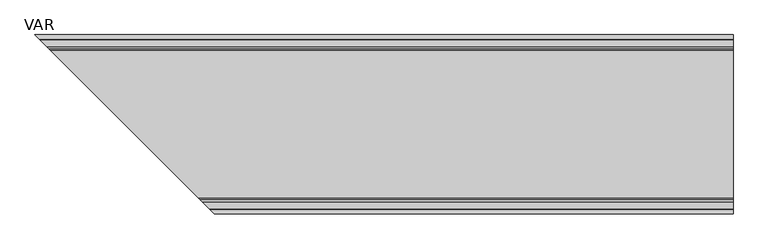
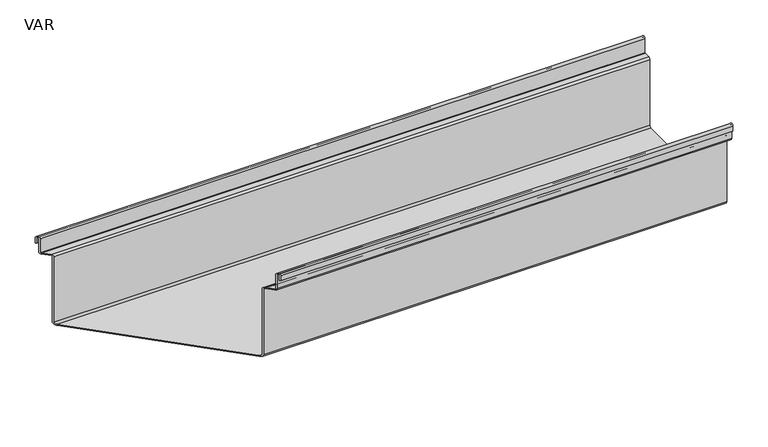
"""IFC4 building model written with IfcOpenShell, lengths in millimetres: sanitary terminal geometry, VAR."""

from ifc_helpers import new_model, si_unit, frame, origin, place, context, project, spatial, polyline, circle_curve, ellipse_curve, source, transform, mapped, element, save
from ifc_brep_helpers import plane_surface, cylinder_surface, revolved_surface, advanced_brep


def var_987fd894(model_context):
    return source(origin(), model_context, "Body", "AdvancedBrep", [
        advanced_brep(
        [(1000.0, 128.5, -12.0), (1000.0, 126.4864263, -12.0), (2.0135737, 126.4864263, -12.0), (0.0, 128.5, -12.0), (1000.0, -126.4864263, -12.0), (1000.0, -128.5, -12.0), (257.0, -128.5, -12.0), (254.9864263, -126.4864263, -12.0), (1000.0, 128.5, -3.25), (1000.0, 122.5, -3.25), (1000.0, 122.5, -27.0), (1000.0, 121.5, -28.0), (1000.0, 111.5135737, -28.0), (1000.0, 108.5135737, -31.0), (1000.0, 108.5135737, -144.9864263), (1000.0, 105.5135737, -147.9864263), (1000.0, -105.5135737, -147.9864263), (1000.0, -108.5135737, -144.9864263), (1000.0, -108.5135737, -31.0), (1000.0, -111.5135737, -28.0), (1000.0, -121.5, -28.0), (1000.0, -122.5, -27.0), (1000.0, -122.5, -3.2587939), (1000.0, -128.5, -3.2587939), (1000.0, -126.4864263, -3.2587939), (1000.0, -124.5135737, -3.2587939), (1000.0, -124.5135737, -27.0), (1000.0, -121.5, -30.0135737), (1000.0, -111.5135737, -30.0135737), (1000.0, -110.5271474, -31.0), (1000.0, -110.5271474, -144.9864263), (1000.0, -105.5135737, -150.0), (1000.0, 105.5135737, -150.0), (1000.0, 110.5271474, -144.9864263), (1000.0, 110.5271474, -31.0), (1000.0, 111.5135737, -30.0135737), (1000.0, 121.5, -30.0135737), (1000.0, 124.5135737, -27.0), (1000.0, 124.5135737, -3.25), (1000.0, 126.4864263, -3.25), (2.0135737, 126.4864263, -3.25), (0.0, 128.5, -3.25), (3.9864263, 124.5135737, -3.25), (6.0, 122.5, -3.25), (3.9864263, 124.5135737, -27.0), (6.0, 122.5, -27.0), (7.0, 121.5, -30.0135737), (7.0, 121.5, -28.0), (16.9864263, 111.5135737, -30.0135737), (16.9864263, 111.5135737, -28.0), (17.9728526, 110.5271474, -31.0), (19.9864263, 108.5135737, -31.0), (17.9728526, 110.5271474, -144.9864263), (19.9864263, 108.5135737, -144.9864263), (234.0135737, -105.5135737, -150.0), (22.9864263, 105.5135737, -150.0), (22.9864263, 105.5135737, -147.9864263), (234.0135737, -105.5135737, -147.9864263), (239.0271474, -110.5271474, -31.0), (239.0271474, -110.5271474, -144.9864263), (237.0135737, -108.5135737, -144.9864263), (237.0135737, -108.5135737, -31.0), (240.0135737, -111.5135737, -30.0135737), (240.0135737, -111.5135737, -28.0), (250.0, -121.5, -30.0135737), (250.0, -121.5, -28.0), (253.0135737, -124.5135737, -27.0), (251.0, -122.5, -27.0), (253.0135737, -124.5135737, -3.2587939), (251.0, -122.5, -3.2587939), (254.9864263, -126.4864263, -3.2587939), (257.0, -128.5, -3.2587939)],
        [
            (0, 1),
            (1, 2),
            (2, 3),
            (3, 0),
            (4, 5),
            (5, 6),
            (6, 7),
            (7, 4),
            (0, 8),
            (8, 9, circle_curve(frame((1000.0, 125.5, -3.25), z_axis=(1.0, 0.0, 0.0), x_axis=(0.0, 1.0, 0.0)), 3.0)),
            (9, 10),
            (10, 11, circle_curve(frame((1000.0, 121.5, -27.0), z_axis=(-1.0, 0.0, 0.0), x_axis=(0.0, 1.0, 0.0)), 1.0)),
            (11, 12),
            (12, 13, circle_curve(frame((1000.0, 111.5135737, -31.0), z_axis=(1.0, 0.0, 0.0), x_axis=(0.0, 0.0, 1.0)), 3.0)),
            (13, 14),
            (14, 15, circle_curve(frame((1000.0, 105.5135737, -144.9864263), z_axis=(-1.0, 0.0, 0.0), x_axis=(0.0, 1.0, 0.0)), 3.0)),
            (15, 16),
            (16, 17, circle_curve(frame((1000.0, -105.5135737, -144.9864263), z_axis=(-1.0, 0.0, 0.0), x_axis=(0.0, 0.0, -1.0)), 3.0)),
            (17, 18),
            (18, 19, circle_curve(frame((1000.0, -111.5135737, -31.0), z_axis=(1.0, 0.0, 0.0), x_axis=(0.0, 1.0, 0.0)), 3.0)),
            (19, 20),
            (20, 21, circle_curve(frame((1000.0, -121.5, -27.0), z_axis=(-1.0, 0.0, 0.0), x_axis=(0.0, 0.0, -1.0)), 1.0)),
            (21, 22),
            (22, 23, circle_curve(frame((1000.0, -125.5, -3.2587939), z_axis=(1.0, 0.0, 0.0), x_axis=(0.0, 1.0, 0.0)), 3.0)),
            (23, 5),
            (4, 24),
            (24, 25, circle_curve(frame((1000.0, -125.5, -3.2587939), z_axis=(-1.0, 0.0, 0.0), x_axis=(0.0, 1.0, 0.0)), 0.9864263)),
            (25, 26),
            (26, 27, circle_curve(frame((1000.0, -121.5, -27.0), z_axis=(1.0, 0.0, 0.0), x_axis=(0.0, 0.0, -1.0)), 3.0135737)),
            (27, 28),
            (28, 29, circle_curve(frame((1000.0, -111.5135737, -31.0), z_axis=(-1.0, 0.0, 0.0), x_axis=(0.0, 1.0, 0.0)), 0.9864263)),
            (29, 30),
            (30, 31, circle_curve(frame((1000.0, -105.5135737, -144.9864263), z_axis=(1.0, 0.0, 0.0), x_axis=(0.0, 0.0, -1.0)), 5.0135737)),
            (31, 32),
            (32, 33, circle_curve(frame((1000.0, 105.5135737, -144.9864263), z_axis=(1.0, 0.0, 0.0), x_axis=(0.0, 1.0, 0.0)), 5.0135737)),
            (33, 34),
            (34, 35, circle_curve(frame((1000.0, 111.5135737, -31.0), z_axis=(-1.0, 0.0, 0.0), x_axis=(0.0, 0.0, 1.0)), 0.9864263)),
            (35, 36),
            (36, 37, circle_curve(frame((1000.0, 121.5, -27.0), z_axis=(1.0, 0.0, 0.0), x_axis=(0.0, 1.0, 0.0)), 3.0135737)),
            (37, 38),
            (38, 39, circle_curve(frame((1000.0, 125.5, -3.25), z_axis=(-1.0, 0.0, 0.0), x_axis=(0.0, 1.0, 0.0)), 0.9864263)),
            (39, 1),
            (39, 40),
            (40, 2),
            (3, 41),
            (41, 8),
            (38, 42),
            (42, 40, ellipse_curve(frame((3.0, 125.5, -3.25), z_axis=(-0.7071067811865449, -0.7071067811865502, 0.0), x_axis=(0.7071067811865501, -0.7071067811865449, 0.0)), 1.3950175, 0.9864263)),
            (41, 43, ellipse_curve(frame((3.0, 125.5, -3.25), z_axis=(0.7071067811865449, 0.7071067811865502, 0.0), x_axis=(0.7071067811865501, -0.7071067811865449, 0.0)), 4.2426407, 3.0)),
            (43, 9),
            (37, 44),
            (44, 42),
            (43, 45),
            (45, 10),
            (36, 46),
            (46, 44, ellipse_curve(frame((7.0, 121.5, -27.0), z_axis=(0.7071067811865449, 0.7071067811865502, 0.0), x_axis=(-0.7071067811865501, 0.7071067811865449, 0.0)), 4.2618368, 3.0135737)),
            (45, 47, ellipse_curve(frame((7.0, 121.5, -27.0), z_axis=(-0.7071067811865449, -0.7071067811865502, 0.0), x_axis=(-0.7071067811865501, 0.7071067811865449, 0.0)), 1.4142136, 1.0)),
            (47, 11),
            (35, 48),
            (48, 46),
            (47, 49),
            (49, 12),
            (34, 50),
            (50, 48, ellipse_curve(frame((16.9864263, 111.5135737, -31.0), z_axis=(-0.7071067811865449, -0.7071067811865502, 0.0), x_axis=(0.7071067811865501, -0.7071067811865449, 0.0)), 1.3950175, 0.9864263)),
            (49, 51, ellipse_curve(frame((16.9864263, 111.5135737, -31.0), z_axis=(0.7071067811865449, 0.7071067811865502, 0.0), x_axis=(0.7071067811865501, -0.7071067811865449, 0.0)), 4.2426407, 3.0)),
            (51, 13),
            (33, 52),
            (52, 50),
            (51, 53),
            (53, 14),
            (31, 54),
            (54, 55),
            (55, 32),
            (15, 56),
            (56, 57),
            (57, 16),
            (29, 58),
            (58, 59),
            (59, 30),
            (17, 60),
            (60, 61),
            (61, 18),
            (28, 62),
            (62, 58, ellipse_curve(frame((240.0135737, -111.5135737, -31.0), z_axis=(-0.7071067811865449, -0.7071067811865502, 0.0), x_axis=(0.7071067811865501, -0.7071067811865449, 0.0)), 1.3950175, 0.9864263)),
            (61, 63, ellipse_curve(frame((240.0135737, -111.5135737, -31.0), z_axis=(0.7071067811865449, 0.7071067811865502, 0.0), x_axis=(0.7071067811865501, -0.7071067811865449, 0.0)), 4.2426407, 3.0)),
            (63, 19),
            (27, 64),
            (64, 62),
            (63, 65),
            (65, 20),
            (26, 66),
            (66, 64, ellipse_curve(frame((250.0, -121.5, -27.0), z_axis=(0.7071067811865449, 0.7071067811865502, 0.0), x_axis=(-0.7071067811865501, 0.7071067811865449, 0.0)), 4.2618368, 3.0135737)),
            (65, 67, ellipse_curve(frame((250.0, -121.5, -27.0), z_axis=(-0.7071067811865449, -0.7071067811865502, 0.0), x_axis=(-0.7071067811865501, 0.7071067811865449, 0.0)), 1.4142136, 1.0)),
            (67, 21),
            (25, 68),
            (68, 66),
            (67, 69),
            (69, 22),
            (24, 70),
            (70, 68, ellipse_curve(frame((254.0, -125.5, -3.2587939), z_axis=(-0.7071067811865449, -0.7071067811865502, 0.0), x_axis=(0.7071067811865501, -0.7071067811865449, 0.0)), 1.3950175, 0.9864263)),
            (69, 71, ellipse_curve(frame((254.0, -125.5, -3.2587939), z_axis=(0.7071067811865449, 0.7071067811865502, 0.0), x_axis=(0.7071067811865501, -0.7071067811865449, 0.0)), 4.2426407, 3.0)),
            (71, 23),
            (7, 70),
            (71, 6),
            (55, 52, ellipse_curve(frame((22.9864263, 105.5135737, -144.9864263), z_axis=(0.7071067811865449, 0.7071067811865502, 0.0), x_axis=(-0.7071067811865501, 0.7071067811865449, 0.0)), 7.0902639, 5.0135737)),
            (53, 56, ellipse_curve(frame((22.9864263, 105.5135737, -144.9864263), z_axis=(-0.7071067811865449, -0.7071067811865502, 0.0), x_axis=(-0.7071067811865501, 0.7071067811865449, 0.0)), 4.2426407, 3.0)),
            (59, 54, ellipse_curve(frame((234.0135737, -105.5135737, -144.9864263), z_axis=(0.7071067811865449, 0.7071067811865502, 0.0), x_axis=(-0.7071067811865501, 0.7071067811865449, 0.0)), 7.0902639, 5.0135737)),
            (57, 60, ellipse_curve(frame((234.0135737, -105.5135737, -144.9864263), z_axis=(-0.7071067811865449, -0.7071067811865502, 0.0), x_axis=(-0.7071067811865501, 0.7071067811865449, 0.0)), 4.2426407, 3.0)),
        ],
        [
            plane_surface(frame((0.0, 128.5, -12.0), z_axis=(0.0, 0.0, -1.0), x_axis=(1.0, 0.0, 0.0))),
            plane_surface(frame((0.0, -128.5, -12.0), z_axis=(0.0, 0.0, -1.0), x_axis=(1.0, 0.0, 0.0))),
            plane_surface(frame((1000.0, 128.5, -12.0), z_axis=(1.0, 0.0, 0.0), x_axis=(0.0, 0.0, 1.0))),
            plane_surface(frame((1000.0, 126.4864263, -12.0), z_axis=(0.0, -1.0, 0.0), x_axis=(0.0, 0.0, 1.0))),
            plane_surface(frame((0.0, 128.5, -12.0), z_axis=(0.0, 1.0, 0.0), x_axis=(0.0, 0.0, 1.0))),
            revolved_surface(polyline([(1000.0, 126.4864263, -3.25), (2.0135736658760917, 126.4864263, -3.25)]), (0.0, 125.5, -3.25), (1.0, 0.0, 0.0)),
            cylinder_surface(frame((0.0, 125.5, -3.25), z_axis=(1.0, 0.0, 0.0), x_axis=(0.0, 1.0, 0.0)), 3.0),
            plane_surface(frame((1000.0, 124.5135737, -3.25), z_axis=(0.0, 1.0, 0.0), x_axis=(0.0, 0.0, -1.0))),
            plane_surface(frame((0.0, 122.5, -3.25), z_axis=(0.0, -1.0, 0.0), x_axis=(0.0, 0.0, -1.0))),
            cylinder_surface(frame((0.0, 121.5, -27.0), z_axis=(-1.0, 0.0, 0.0), x_axis=(0.0, 1.0, 0.0)), 3.0135737),
            revolved_surface(polyline([(5.999999973393757, 122.5, -27.0), (1000.0, 122.5, -27.0)]), (0.0, 121.5, -27.0), (-1.0, 0.0, 0.0)),
            plane_surface(frame((1000.0, 121.5, -30.0135737), z_axis=(0.0, 0.0, -1.0), x_axis=(0.0, -1.0, 0.0))),
            plane_surface(frame((0.0, 121.5, -28.0), z_axis=(0.0, 0.0, 1.0), x_axis=(0.0, -1.0, 0.0))),
            revolved_surface(polyline([(1000.0, 111.5135737, -30.0135737), (15.999999965876093, 111.5135737, -30.0135737)]), (0.0, 111.5135737, -31.0), (1.0, 0.0, 0.0)),
            cylinder_surface(frame((0.0, 111.5135737, -31.0), z_axis=(1.0, 0.0, 0.0), x_axis=(0.0, 0.0, 1.0)), 3.0),
            plane_surface(frame((1000.0, 110.5271474, -31.0), z_axis=(0.0, 1.0, 0.0), x_axis=(0.0, 0.0, -1.0))),
            plane_surface(frame((0.0, 108.5135737, -31.0), z_axis=(0.0, -1.0, 0.0), x_axis=(0.0, 0.0, -1.0))),
            plane_surface(frame((1000.0, 105.5135737, -150.0), z_axis=(0.0, 0.0, -1.0), x_axis=(0.0, -1.0, 0.0))),
            plane_surface(frame((0.0, 105.5135737, -147.9864263), z_axis=(0.0, 0.0, 1.0), x_axis=(0.0, -1.0, 0.0))),
            plane_surface(frame((1000.0, -110.5271474, -144.9864263), z_axis=(0.0, -1.0, 0.0), x_axis=(0.0, 0.0, 1.0))),
            plane_surface(frame((0.0, -108.5135737, -144.9864263), z_axis=(0.0, 1.0, 0.0), x_axis=(0.0, 0.0, 1.0))),
            revolved_surface(polyline([(1000.0, -110.52714739999999, -31.0), (239.0271473658761, -110.52714739999999, -31.0)]), (0.0, -111.5135737, -31.0), (1.0, 0.0, 0.0)),
            cylinder_surface(frame((0.0, -111.5135737, -31.0), z_axis=(1.0, 0.0, 0.0), x_axis=(0.0, 1.0, 0.0)), 3.0),
            plane_surface(frame((1000.0, -111.5135737, -30.0135737), z_axis=(0.0, 0.0, -1.0), x_axis=(0.0, -1.0, 0.0))),
            plane_surface(frame((0.0, -111.5135737, -28.0), z_axis=(0.0, 0.0, 1.0), x_axis=(0.0, -1.0, 0.0))),
            cylinder_surface(frame((0.0, -121.5, -27.0), z_axis=(-1.0, 0.0, 0.0), x_axis=(0.0, 0.0, -1.0)), 3.0135737),
            revolved_surface(polyline([(248.99999997339376, -121.5, -28.0), (1000.0, -121.5, -28.0)]), (0.0, -121.5, -27.0), (-1.0, 0.0, 0.0)),
            plane_surface(frame((1000.0, -124.5135737, -27.0), z_axis=(0.0, -1.0, 0.0), x_axis=(0.0, 0.0, 1.0))),
            plane_surface(frame((0.0, -122.5, -27.0), z_axis=(0.0, 1.0, 0.0), x_axis=(0.0, 0.0, 1.0))),
            revolved_surface(polyline([(1000.0, -124.5135737, -3.2587939), (253.0135736658761, -124.5135737, -3.2587939)]), (0.0, -125.5, -3.2587939), (1.0, 0.0, 0.0)),
            cylinder_surface(frame((0.0, -125.5, -3.2587939), z_axis=(1.0, 0.0, 0.0), x_axis=(0.0, 1.0, 0.0)), 3.0),
            plane_surface(frame((1000.0, -126.4864263, -3.2587939), z_axis=(0.0, 1.0, 0.0), x_axis=(0.0, 0.0, -1.0))),
            plane_surface(frame((0.0, -128.5, -3.2587939), z_axis=(0.0, -1.0, 0.0), x_axis=(0.0, 0.0, -1.0))),
            cylinder_surface(frame((0.0, 105.5135737, -144.9864263), z_axis=(-1.0, 0.0, 0.0), x_axis=(0.0, 1.0, 0.0)), 5.0135737),
            revolved_surface(polyline([(19.98642629089195, 108.5135737, -144.9864263), (1000.0, 108.5135737, -144.9864263)]), (0.0, 105.5135737, -144.9864263), (-1.0, 0.0, 0.0)),
            cylinder_surface(frame((0.0, -105.5135737, -144.9864263), z_axis=(-1.0, 0.0, 0.0), x_axis=(0.0, 0.0, -1.0)), 5.0135737),
            revolved_surface(polyline([(231.01357369089195, -105.5135737, -147.9864263), (1000.0, -105.5135737, -147.9864263)]), (0.0, -105.5135737, -144.9864263), (-1.0, 0.0, 0.0)),
            plane_surface(frame((257.0, -128.5, 15.4760934), z_axis=(-0.7071067811865449, -0.7071067811865502, 0.0), x_axis=(0.0, 0.0, -1.0))),
        ],
        [
            (0, [[1, 2, 3, 4]]),
            (1, [[5, 6, 7, 8]]),
            (2, [[-1, 9, 10, 11, 12, 13, 14, 15, 16, 17, 18, 19, 20, 21, 22, 23, 24, 25, -5, 26, 27, 28, 29, 30, 31, 32, 33, 34, 35, 36, 37, 38, 39, 40, 41, 42]]),
            (3, [[-42, 43, 44, -2]]),
            (4, [[-4, 45, 46, -9]]),
            (5, [[-41, 47, 48, -43]]),
            (6, [[-10, -46, 49, 50]]),
            (7, [[-40, 51, 52, -47]]),
            (8, [[-11, -50, 53, 54]]),
            (9, [[-39, 55, 56, -51]]),
            (10, [[-12, -54, 57, 58]]),
            (11, [[-38, 59, 60, -55]]),
            (12, [[-13, -58, 61, 62]]),
            (13, [[-37, 63, 64, -59]]),
            (14, [[-14, -62, 65, 66]]),
            (15, [[-36, 67, 68, -63]]),
            (16, [[-15, -66, 69, 70]]),
            (17, [[-34, 71, 72, 73]]),
            (18, [[-17, 74, 75, 76]]),
            (19, [[-32, 77, 78, 79]]),
            (20, [[-19, 80, 81, 82]]),
            (21, [[-31, 83, 84, -77]]),
            (22, [[-20, -82, 85, 86]]),
            (23, [[-30, 87, 88, -83]]),
            (24, [[-21, -86, 89, 90]]),
            (25, [[-29, 91, 92, -87]]),
            (26, [[-22, -90, 93, 94]]),
            (27, [[-28, 95, 96, -91]]),
            (28, [[-23, -94, 97, 98]]),
            (29, [[-27, 99, 100, -95]]),
            (30, [[-24, -98, 101, 102]]),
            (31, [[-26, -8, 103, -99]]),
            (32, [[-25, -102, 104, -6]]),
            (33, [[-35, -73, 105, -67]]),
            (34, [[-16, -70, 106, -74]]),
            (35, [[-33, -79, 107, -71]]),
            (36, [[-18, -76, 108, -80]]),
            (37, [[-3, -44, -48, -52, -56, -60, -64, -68, -105, -72, -107, -78, -84, -88, -92, -96, -100, -103, -7, -104, -101, -97, -93, -89, -85, -81, -108, -75, -106, -69, -65, -61, -57, -53, -49, -45]]),
        ],
    ),
    ])


if __name__ == "__main__":
    model = new_model("IFC4")
    model_context = context("Model", 3, world=origin())
    ifc_project = project(units=[si_unit("LENGTHUNIT", "METRE", prefix="MILLI")], contexts=[model_context])
    site = spatial("IfcSite", under=ifc_project)
    building = spatial("IfcBuilding", under=site)
    placement = place(None, origin())
    var_shape = var_987fd894(model_context)
    element("IfcSanitaryTerminal", 1, ObjectType="VAR", at=placement, inside=building, context=model_context, shape_type="MappedRepresentation", body=[
        mapped(var_shape, transform((0.0, 0.0, 0.0), x_axis=(1.0, 0.0, 0.0), y_axis=(0.0, 1.0, 0.0), z_axis=(0.0, 0.0, 1.0))),
    ])
    save(model, "model.ifc")
